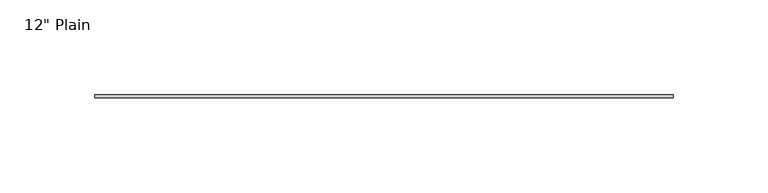
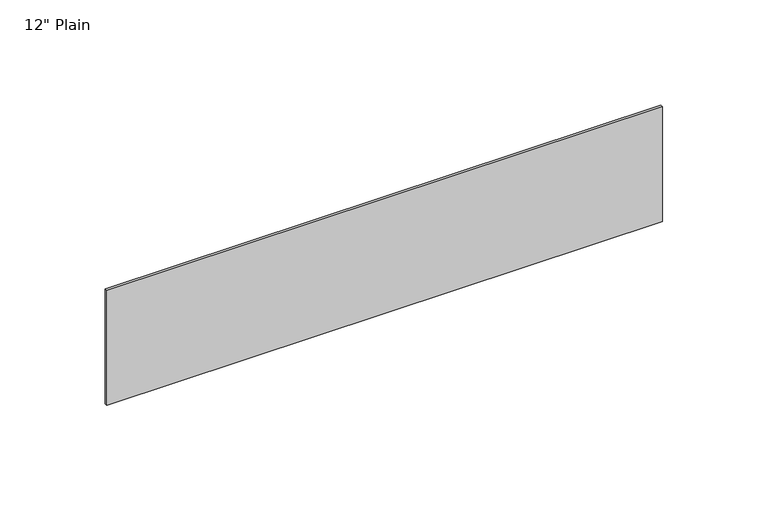
"""IFC4 building model written with IfcOpenShell, lengths in millimetres: furniture geometry."""

import ifcopenshell
import ifcopenshell.guid

model = None  # the IFC model being written
_history = None  # IfcOwnerHistory: only IFC2X3 demands one
_inside = {}  # id of a spatial element -> (the spatial element, [elements in it])
_under = {}  # id of a project, library or spatial element -> (it, [spatial elements below it])
_declared = {}  # id of a project -> (the project, [libraries it declares])
_typed = {}  # id of a type object -> (the type object, [elements of that type])
_made_of = {}  # id of a material, layer set ... -> (it, [elements and type objects made of it])


def new_model(schema):
    """Start an empty IFC model of exactly this schema.

    Asked for "IFC4X3", IfcOpenShell would pick the latest addendum, in which some entities
    have other attributes; the version numbers below select the first issue.
    IFC2X3 requires an IfcOwnerHistory on every rooted entity: one is made here for all.
    """
    global model, _history
    if schema == "IFC4X3":
        model = ifcopenshell.file(schema_version=(4, 3, 0, 0))
    else:
        model = ifcopenshell.file(schema=schema)
    _inside.clear()
    _under.clear()
    _declared.clear()
    _typed.clear()
    _made_of.clear()
    _history = None
    if model.schema == "IFC2X3":
        org = make("IfcOrganization", Name="unknown")
        user = make(
            "IfcPersonAndOrganization",
            ThePerson=make("IfcPerson", FamilyName="unknown"),
            TheOrganization=org,
        )
        app = make(
            "IfcApplication",
            ApplicationDeveloper=org,
            Version="unknown",
            ApplicationFullName="unknown",
            ApplicationIdentifier="unknown",
        )
        _history = make(
            "IfcOwnerHistory",
            OwningUser=user,
            OwningApplication=app,
            ChangeAction="ADDED",
            CreationDate=0,
        )
    return model


def make(cls, **values):
    """One entity of the class cls with the attributes given. An attribute that is None is left unset."""
    return model.create_entity(
        cls, **{name: value for name, value in values.items() if value is not None}
    )


def rooted(cls, **values):
    """An entity with a GlobalId (a new one), such as an element, a storey or a relation."""
    return make(cls, GlobalId=ifcopenshell.guid.new(), OwnerHistory=_history, **values)


def si_unit(unit_type, name, prefix=None):
    """IfcSIUnit, for example si_unit("LENGTHUNIT", "METRE", prefix="MILLI")."""
    return make("IfcSIUnit", UnitType=unit_type, Prefix=prefix, Name=name)


def assignment(units):
    """IfcUnitAssignment: the units of a project."""
    return None if units is None else make("IfcUnitAssignment", Units=units)


def point(xyz):
    """IfcCartesianPoint."""
    return None if xyz is None else make("IfcCartesianPoint", Coordinates=xyz)


def direction(xyz):
    """IfcDirection."""
    return None if xyz is None else make("IfcDirection", DirectionRatios=xyz)


def frame(location, z_axis=None, x_axis=None):
    """IfcAxis2Placement3D, a coordinate frame: its origin and axes. An axis left out is left unset."""
    return make(
        "IfcAxis2Placement3D",
        Location=point(location),
        Axis=direction(z_axis),
        RefDirection=direction(x_axis),
    )


def origin():
    """The frame at (0, 0, 0) with its axes left unset."""
    return frame((0.0, 0.0, 0.0))


def place(relative_to, where):
    """IfcLocalPlacement: puts the frame where relative to a parent placement (None: the world)."""
    return make(
        "IfcLocalPlacement", PlacementRelTo=relative_to, RelativePlacement=where
    )


def context(
    kind, dimensions, precision=None, world=None, true_north=None, identifier=None
):
    """IfcGeometricRepresentationContext, for example the 3D "Model" context."""
    return make(
        "IfcGeometricRepresentationContext",
        ContextIdentifier=identifier,
        ContextType=kind,
        CoordinateSpaceDimension=dimensions,
        Precision=precision,
        WorldCoordinateSystem=world,
        TrueNorth=true_north,
    )


def project(units=None, contexts=None):
    """IfcProject with its units and contexts."""
    return rooted(
        "IfcProject",
        Name="project",
        RepresentationContexts=contexts,
        UnitsInContext=assignment(units),
    )


def spatial(cls, under=None, at=None, **own):
    """A site, building, storey or space (cls), placed at a placement, below another one or the project."""
    s = rooted(cls, ObjectPlacement=at, **own)
    if under is not None:
        _under.setdefault(under.id(), (under, []))[1].append(s)
    return s


def polyline(points):
    """IfcPolyline through the points."""
    return make("IfcPolyline", Points=[point(p) for p in points])


def outline(outer, holes=None, kind="AREA"):
    """IfcArbitraryClosedProfileDef: a profile drawn as a closed curve; with holes, ...WithVoids."""
    if holes is None:
        return make("IfcArbitraryClosedProfileDef", ProfileType=kind, OuterCurve=outer)
    return make(
        "IfcArbitraryProfileDefWithVoids",
        ProfileType=kind,
        OuterCurve=outer,
        InnerCurves=holes,
    )


def extrude(swept, where, along, depth):
    """IfcExtrudedAreaSolid: the profile swept, set in the frame where, extruded along a direction by depth."""
    return make(
        "IfcExtrudedAreaSolid",
        SweptArea=swept,
        Position=where,
        ExtrudedDirection=direction(along),
        Depth=depth,
    )


def shape(context_of_items, identifier, shape_type, items):
    """IfcShapeRepresentation: the items that make up one representation, for example the "Body"."""
    return make(
        "IfcShapeRepresentation",
        ContextOfItems=context_of_items,
        RepresentationIdentifier=identifier,
        RepresentationType=shape_type,
        Items=items,
    )


def source(mapping_origin, context_of_items, identifier, shape_type, items):
    """IfcRepresentationMap: a shape defined once, which mapped items show again and again."""
    return make(
        "IfcRepresentationMap",
        MappingOrigin=mapping_origin,
        MappedRepresentation=shape(context_of_items, identifier, shape_type, items),
    )


def transform(
    local_origin,
    x_axis=None,
    y_axis=None,
    z_axis=None,
    scale=None,
    scale2=None,
    scale3=None,
    uniform=True,
):
    """IfcCartesianTransformationOperator3D, or its non-uniform kind. x_axis, y_axis, z_axis: its Axis1, 2, 3."""
    if uniform:
        return make(
            "IfcCartesianTransformationOperator3D",
            Axis1=direction(x_axis),
            Axis2=direction(y_axis),
            LocalOrigin=point(local_origin),
            Scale=scale,
            Axis3=direction(z_axis),
        )
    return make(
        "IfcCartesianTransformationOperator3DnonUniform",
        Axis1=direction(x_axis),
        Axis2=direction(y_axis),
        LocalOrigin=point(local_origin),
        Scale=scale,
        Axis3=direction(z_axis),
        Scale2=scale2,
        Scale3=scale3,
    )


def mapped(mapping_source, mapping_target):
    """IfcMappedItem: shows the shape of a source again, moved by a transform."""
    return make(
        "IfcMappedItem", MappingSource=mapping_source, MappingTarget=mapping_target
    )


def made_of(thing, what):
    """Note that an element or type object is made of a material, layer set ...; save() writes the relation."""
    if what is not None:
        _made_of.setdefault(what.id(), (what, []))[1].append(thing)
    return thing


def element(
    cls,
    number,
    at=None,
    inside=None,
    cuts=None,
    type_object=None,
    material=None,
    context=None,
    identifier="Body",
    shape_type=None,
    held_by="IfcProductDefinitionShape",
    body=None,
    shapes=None,
    **own,
):
    """One element of the class cls, such as IfcWall. Its Tag is "e" and its number.

    at: its placement. inside: the storey or other place that contains it. cuts: it is an
    opening in that element (IfcRelVoidsElement). A single representation is given by context,
    identifier, shape_type and body (its items); several are given by shapes. held_by: the class
    of the entity that holds the representations. save() writes the other relations.
    """
    e = rooted(cls, Tag="e%d" % number, ObjectPlacement=at, **own)
    if body is not None:
        shapes = [shape(context, identifier, shape_type, body)]
    if shapes is not None:
        e.Representation = make(held_by, Representations=shapes)
    if inside is not None:
        _inside.setdefault(inside.id(), (inside, []))[1].append(e)
    if cuts is not None:
        rooted(
            "IfcRelVoidsElement", RelatingBuildingElement=cuts, RelatedOpeningElement=e
        )
    if type_object is not None:
        _typed.setdefault(type_object.id(), (type_object, []))[1].append(e)
    return made_of(e, material)


def aggregate(whole, parts):
    """IfcRelAggregates: a whole, such as a stair, and the parts it consists of."""
    return rooted("IfcRelAggregates", RelatingObject=whole, RelatedObjects=parts)


def save(model, path):
    """Write the relations noted so far, then the file.

    IfcRelAggregates (storeys below a building ...), IfcRelContainedInSpatialStructure (elements
    in a storey), IfcRelDefinesByType, IfcRelAssociatesMaterial and IfcRelDeclares: one each for
    every whole, place, type object, material and project.
    """
    for whole, parts in _under.values():
        aggregate(whole, parts)
    for where, things in _inside.values():
        rooted(
            "IfcRelContainedInSpatialStructure",
            RelatedElements=things,
            RelatingStructure=where,
        )
    for kind, things in _typed.values():
        rooted("IfcRelDefinesByType", RelatedObjects=things, RelatingType=kind)
    for what, things in _made_of.values():
        rooted("IfcRelAssociatesMaterial", RelatedObjects=things, RelatingMaterial=what)
    for by, libraries in _declared.values():
        rooted("IfcRelDeclares", RelatingContext=by, RelatedDefinitions=libraries)
    model.write(path)


def furniture_835240d0(model_context):
    return source(origin(), model_context, "Body", "SweptSolid", [
        extrude(outline(polyline([(171.1377049, -1.5875), (-133.6622951, -1.5875), (-133.6622951, 0.0), (171.1377049, 0.0), (171.1377049, -1.5875)])), frame((0.0, 0.0, 1025.525), z_axis=(0.0, 0.0, 1.0), x_axis=(1.0, 0.0, 0.0)), (0.0, 0.0, 1.0), 66.675),
    ])


if __name__ == "__main__":
    model = new_model("IFC4")
    model_context = context("Model", 3, world=origin())
    ifc_project = project(units=[si_unit("LENGTHUNIT", "METRE", prefix="MILLI")], contexts=[model_context])
    site = spatial("IfcSite", under=ifc_project)
    building = spatial("IfcBuilding", under=site)
    placement = place(None, origin())
    furniture_shape = furniture_835240d0(model_context)
    element("IfcFurniture", 1, ObjectType="12\" Plain", at=placement, inside=building, context=model_context, shape_type="MappedRepresentation", body=[
        mapped(furniture_shape, transform((0.0, 0.0, 0.0), x_axis=(1.0, 0.0, 0.0), y_axis=(0.0, 1.0, 0.0), z_axis=(0.0, 0.0, 1.0))),
    ])
    save(model, "model.ifc")
